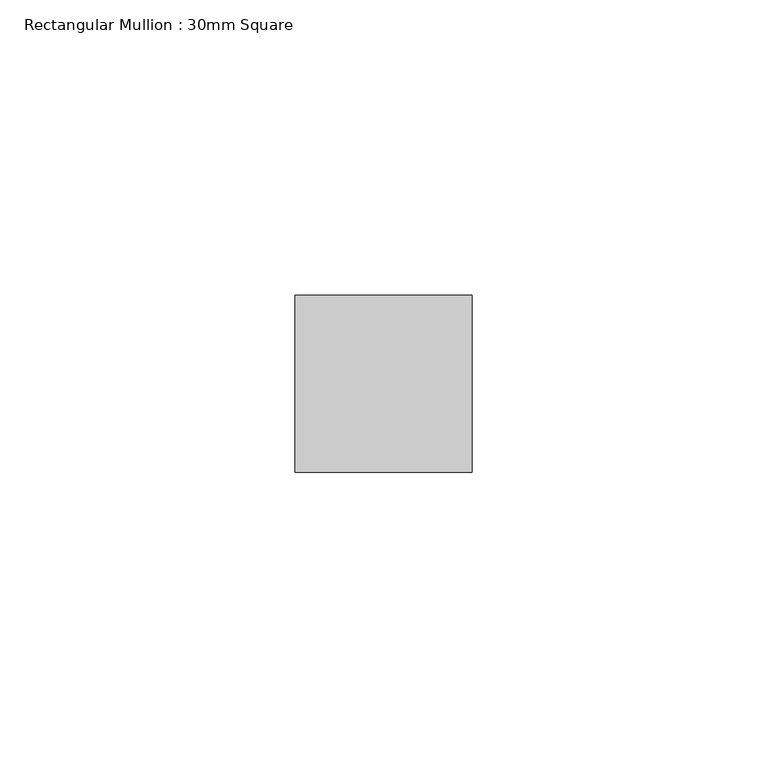
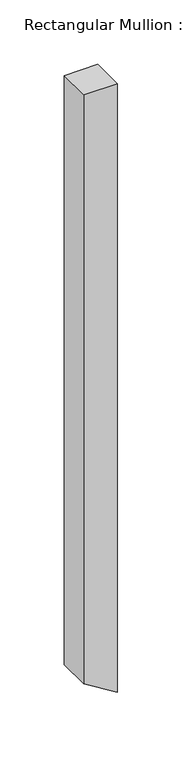
"""IFC4 building model written with IfcOpenShell, lengths in millimetres: member geometry, Rectangular Mullion : 30mm Square."""

from ifc_helpers import new_model, si_unit, point, frame, frame_2d, origin, place, context, project, spatial, polyline, circle_curve, trimmed, segment, composite_curve, outline, extrude, source, transform, mapped, element, save


def rectangular_mullion_30mm_square_91aa8618(model_context):
    return source(origin(), model_context, "Body", "SweptSolid", [
        extrude(outline(composite_curve([segment(polyline([(0.0, 15.0), (0.0, -15.0), (-558.1928112, -15.0)]), True, "CONTINUOUS"), segment(trimmed(circle_curve(frame_2d((-4213.4685979, -2258.5211069)), 4288.8725831), [point((-558.1928112, -15.0))], [point((-576.7764457, 15.0))], True, "CARTESIAN"), True, "CONTINUOUS"), segment(polyline([(-576.7764457, 15.0), (0.0, 15.0)]), True, "CONTINUOUS")], self_intersect=False)), frame((0.0, -15.0, 0.0), z_axis=(0.0, 1.0, 0.0), x_axis=(0.0, 0.0, 1.0)), (0.0, 0.0, 1.0), 30.0),
    ])


if __name__ == "__main__":
    model = new_model("IFC4")
    model_context = context("Model", 3, world=origin())
    ifc_project = project(units=[si_unit("LENGTHUNIT", "METRE", prefix="MILLI")], contexts=[model_context])
    site = spatial("IfcSite", under=ifc_project)
    building = spatial("IfcBuilding", under=site)
    placement = place(None, origin())
    rectangular_mullion_30mm_square_shape = rectangular_mullion_30mm_square_91aa8618(model_context)
    element("IfcMember", 1, ObjectType="Rectangular Mullion : 30mm Square", at=placement, inside=building, context=model_context, shape_type="MappedRepresentation", body=[
        mapped(rectangular_mullion_30mm_square_shape, transform((0.0, 0.0, 0.0), x_axis=(1.0, 0.0, 0.0), y_axis=(0.0, 1.0, 0.0), z_axis=(0.0, 0.0, 1.0))),
    ])
    save(model, "model.ifc")
